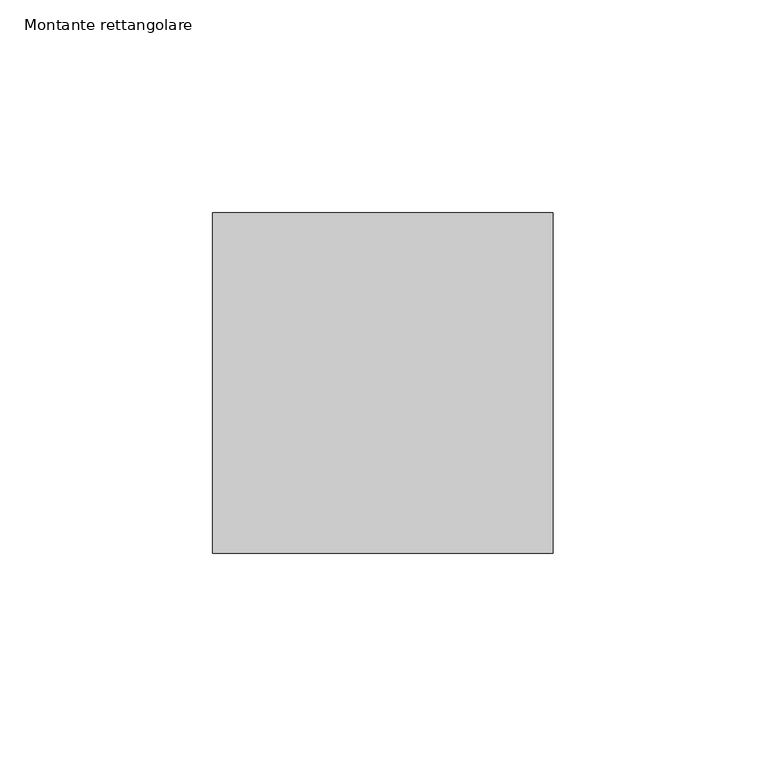
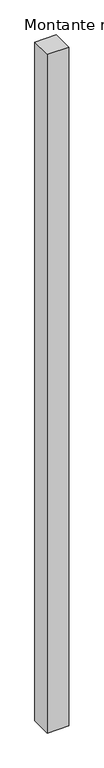
"""IFC4 building model written with IfcOpenShell, lengths in millimetres: member geometry, Montante rettangolare."""

from ifc_helpers import new_model, si_unit, frame, origin, place, context, project, spatial, polyline, outline, extrude, source, transform, mapped, element, save


def montante_rettangolare_2be41d11(model_context):
    return source(origin(), model_context, "Body", "SweptSolid", [
        extrude(outline(polyline([(0.0, 40.0), (0.0, -40.0), (-80.0, -40.0), (-80.0, 40.0), (0.0, 40.0)])), frame((0.0, 0.0, -2680.0), z_axis=(0.0, 0.0, 1.0), x_axis=(1.0, 0.0, 0.0)), (0.0, 0.0, 1.0), 2680.0),
    ])


if __name__ == "__main__":
    model = new_model("IFC4")
    model_context = context("Model", 3, world=origin())
    ifc_project = project(units=[si_unit("LENGTHUNIT", "METRE", prefix="MILLI")], contexts=[model_context])
    site = spatial("IfcSite", under=ifc_project)
    building = spatial("IfcBuilding", under=site)
    placement = place(None, origin())
    montante_rettangolare_shape = montante_rettangolare_2be41d11(model_context)
    element("IfcMember", 1, ObjectType="Montante rettangolare", at=placement, inside=building, context=model_context, shape_type="MappedRepresentation", body=[
        mapped(montante_rettangolare_shape, transform((0.0, 0.0, 0.0), x_axis=(1.0, 0.0, 0.0), y_axis=(0.0, 1.0, 0.0), z_axis=(0.0, 0.0, 1.0))),
    ])
    save(model, "model.ifc")
